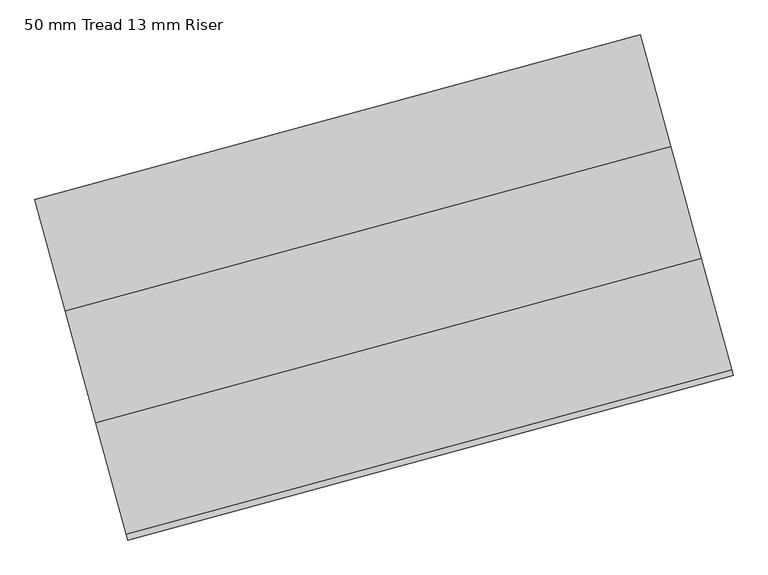
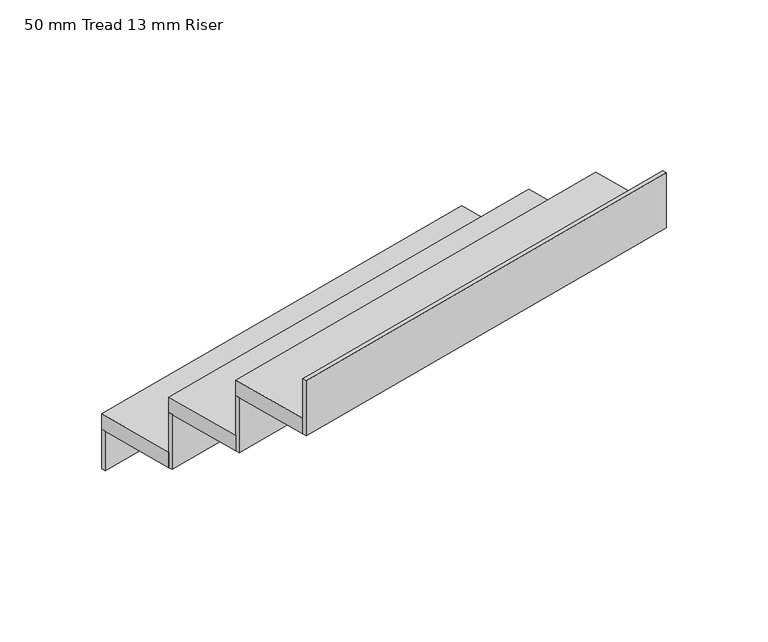
"""IFC4 building model written with IfcOpenShell, lengths in millimetres: stair flight geometry, 50 mm Tread 13 mm Riser."""

from ifc_helpers import new_model, si_unit, frame, origin, origin_with_axes, place, context, project, spatial, polyline, outline, extrude, source, transform, mapped, element, save


def stair_flight_50_mm_tread_13_mm_riser_fba8c9cb(model_context):
    return source(origin(), model_context, "Body", "SweptSolid", [
        extrude(outline(polyline([(178949.9158371, 37589.0803544), (178946.6372266, 37601.1427221), (180253.0816171, 37956.2406904), (180256.3602275, 37944.1783228), (178949.9158371, 37589.0803544)])), origin_with_axes(), (0.0, 0.0, 1.0), 127.7777778),
        extrude(outline(polyline([(180318.6538263, 37714.9933373), (179012.2094359, 37359.895369), (178946.6372266, 37601.1427221), (180253.0816171, 37956.2406904), (180318.6538263, 37714.9933373)])), frame((0.0, 0.0, 127.7777778), z_axis=(0.0, 0.0, 1.0), x_axis=(1.0, 0.0, 0.0)), (0.0, 0.0, 1.0), 50.0),
        extrude(outline(polyline([(179015.4880463, 37347.8330013), (179012.2094359, 37359.895369), (180318.6538263, 37714.9933373), (180321.9324368, 37702.9309697), (179015.4880463, 37347.8330013)])), frame((0.0, 0.0, 127.7777778), z_axis=(0.0, 0.0, 1.0), x_axis=(1.0, 0.0, 0.0)), (0.0, 0.0, 1.0), 177.7777778),
        extrude(outline(polyline([(180384.2260356, 37473.7459842), (179077.7816451, 37118.6480159), (179012.2094359, 37359.895369), (180318.6538263, 37714.9933373), (180384.2260356, 37473.7459842)])), frame((0.0, 0.0, 305.5555556), z_axis=(0.0, 0.0, 1.0), x_axis=(1.0, 0.0, 0.0)), (0.0, 0.0, 1.0), 50.0),
        extrude(outline(polyline([(179081.0602556, 37106.5856482), (179077.7816451, 37118.6480159), (180384.2260356, 37473.7459842), (180387.5046461, 37461.6836166), (179081.0602556, 37106.5856482)])), frame((0.0, 0.0, 305.5555556), z_axis=(0.0, 0.0, 1.0), x_axis=(1.0, 0.0, 0.0)), (0.0, 0.0, 1.0), 177.7777778),
        extrude(outline(polyline([(179146.6324648, 36865.3382951), (179143.3538544, 36877.4006628), (180449.7982448, 37232.4986312), (180453.0768553, 37220.4362635), (179146.6324648, 36865.3382951)])), frame((0.0, 0.0, 483.3333333), z_axis=(0.0, 0.0, 1.0), x_axis=(1.0, 0.0, 0.0)), (0.0, 0.0, 1.0), 177.7777778),
        extrude(outline(polyline([(180449.7982448, 37232.4986312), (179143.3538544, 36877.4006628), (179077.7816451, 37118.6480159), (180384.2260356, 37473.7459842), (180449.7982448, 37232.4986312)])), frame((0.0, 0.0, 483.3333333), z_axis=(0.0, 0.0, 1.0), x_axis=(1.0, 0.0, 0.0)), (0.0, 0.0, 1.0), 50.0),
    ])


if __name__ == "__main__":
    model = new_model("IFC4")
    model_context = context("Model", 3, world=origin())
    ifc_project = project(units=[si_unit("LENGTHUNIT", "METRE", prefix="MILLI")], contexts=[model_context])
    site = spatial("IfcSite", under=ifc_project)
    building = spatial("IfcBuilding", under=site)
    placement = place(None, origin())
    stair_flight_50_mm_tread_13_mm_riser_shape = stair_flight_50_mm_tread_13_mm_riser_fba8c9cb(model_context)
    element("IfcStairFlight", 1, ObjectType="50 mm Tread 13 mm Riser", at=placement, inside=building, context=model_context, shape_type="MappedRepresentation", body=[
        mapped(stair_flight_50_mm_tread_13_mm_riser_shape, transform((0.0, 0.0, 0.0), x_axis=(1.0, 0.0, 0.0), y_axis=(0.0, 1.0, 0.0), z_axis=(0.0, 0.0, 1.0))),
    ])
    save(model, "model.ifc")
